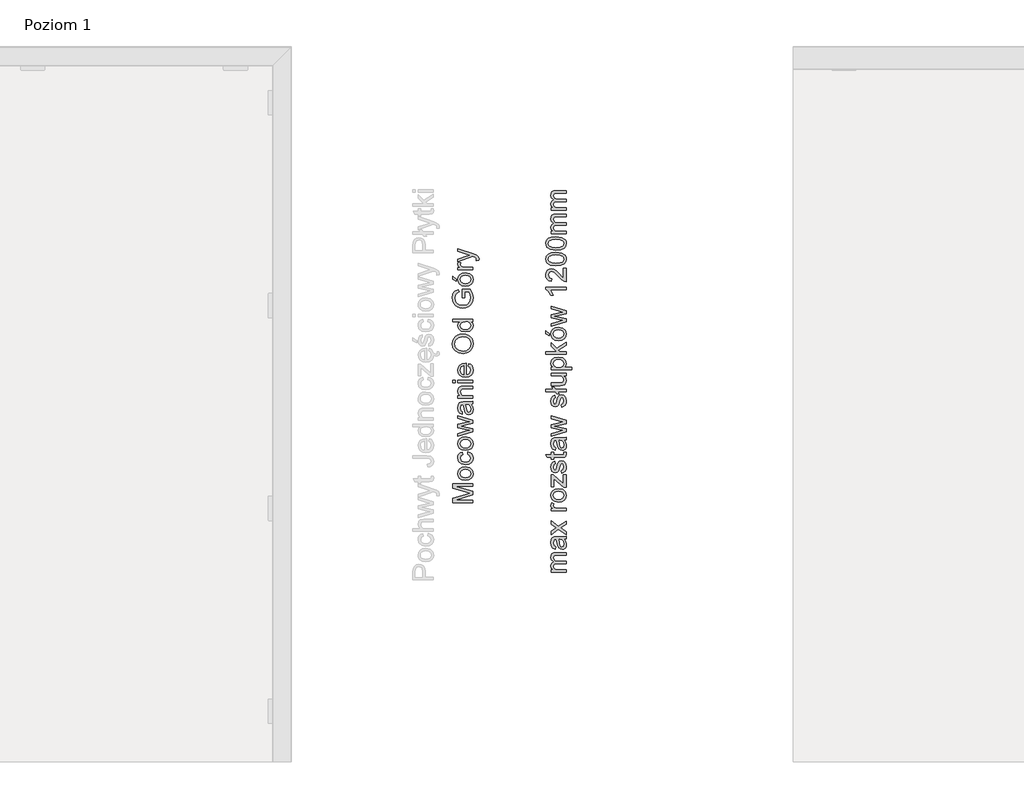
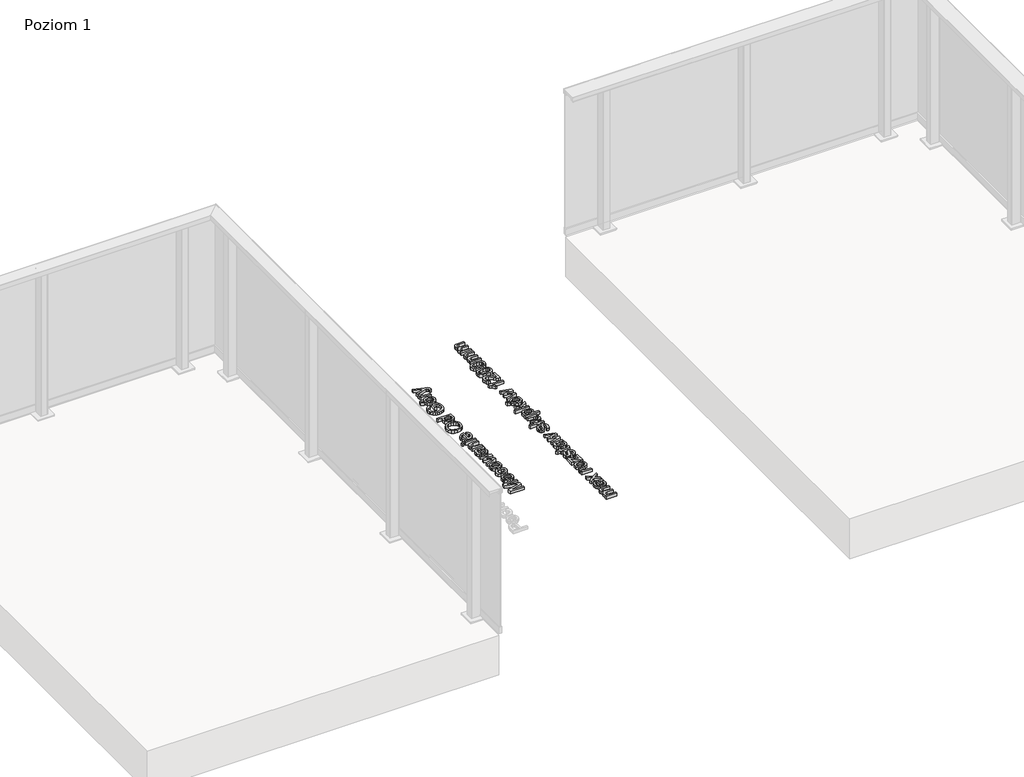
# One storey, part 11 of 35: 2 proxies.
"""IFC4 building model written with IfcOpenShell, lengths in millimetres."""

from ifc_helpers import new_model, si_unit, origin, origin_with_axes, place, context, project, spatial, polyline, outline, extrude, element, save

model = new_model("IFC4")

# Units and contexts
model_context = context("Model", 3, world=origin())
ifc_project = project(units=[si_unit("LENGTHUNIT", "METRE", prefix="MILLI")], contexts=[model_context])

# Site, building, storey
site = spatial("IfcSite", under=ifc_project)
building = spatial("IfcBuilding", under=site)
storey = spatial("IfcBuildingStorey", under=building, Name="Poziom 1", Elevation=0.0)

# Proxies
placement = place(None, origin())
element("IfcBuildingElementProxy", 1, Name="Generic Models", at=placement, inside=storey, context=model_context, shape_type="SweptSolid", body=[
    extrude(outline(polyline([(10311.0111089, -13350.8578482), (10210.5547987, -13350.8578482), (10210.5547987, -13329.2509123), (10281.3598201, -13308.6985715), (10296.1486763, -13304.5537677), (10280.1335468, -13300.0656074), (10210.5547987, -13279.8566231), (10210.5547987, -13258.2496873), (10311.0111089, -13258.2496873), (10311.0111089, -13270.806726), (10223.1118375, -13270.806726), (10311.0111089, -13296.0434309), (10311.0111089, -13313.0641045), (10223.1118375, -13338.3008094), (10311.0111089, -13338.3008094), (10311.0111089, -13350.8578482)])), origin_with_axes(), (0.0, 0.0, 1.0), 20.0),
    extrude(outline(polyline([(10274.1248075, -13240.983759), (10256.337713, -13238.2675636), (10243.8358566, -13230.1189774), (10237.7106214, -13220.0512734), (10235.6688763, -13207.9970067), (10238.1551454, -13194.8053715), (10245.6139529, -13184.268618), (10257.4566874, -13177.3616336), (10273.0947379, -13175.0593054), (10295.4374378, -13179.1305328), (10308.0803157, -13190.9885958), (10312.5807387, -13207.9970067), (10310.1036666, -13221.3480575), (10302.6724503, -13231.8725482), (10290.5813954, -13238.7059563), (10274.1248075, -13240.983759)]), holes=[polyline([(10274.100282, -13228.4267202), (10285.46477, -13226.9735863), (10293.5612396, -13222.6141847), (10298.4080849, -13216.0536224), (10300.0237, -13207.9970067), (10298.3988878, -13199.9771792), (10293.5244514, -13193.4288797), (10285.3206829, -13189.0694781), (10273.7078746, -13187.6163442), (10262.6744804, -13189.0786751), (10254.6883754, -13193.4656679), (10249.8415301, -13200.0231645), (10248.225915, -13207.9970067), (10249.8353988, -13216.0536224), (10254.66385, -13222.6141847), (10262.7419254, -13226.9735863), (10274.100282, -13228.4267202)])]), origin_with_axes(), (0.0, 0.0, 1.0), 20.0),
    extrude(outline(polyline([(10284.3274015, -13113.8437414), (10285.8970314, -13101.2867027), (10297.0653156, -13104.787713), (10305.5051417, -13111.3666693), (10310.8118395, -13120.4043037), (10312.5807387, -13131.281348), (10310.1128637, -13144.6385301), (10302.7092385, -13155.0833131), (10290.6948257, -13161.8247506), (10274.3945876, -13164.0718965), (10253.5356785, -13160.233661), (10240.1325112, -13148.5350136), (10235.6688763, -13131.4530263), (10237.2017179, -13120.8426964), (10241.8002429, -13112.3599507), (10249.2191964, -13106.2745694), (10259.213324, -13102.8563325), (10260.7829538, -13115.4133713), (10251.3774375, -13121.2381695), (10248.225915, -13131.3549244), (10249.7771508, -13139.4697881), (10254.430858, -13145.9107887), (10262.4384228, -13150.1138405), (10274.0512311, -13151.5148577), (10285.8203893, -13150.1444973), (10293.8555452, -13146.033416), (10298.4816613, -13139.7089114), (10300.0237, -13131.6982809), (10296.1732018, -13119.8647434), (10284.3274015, -13113.8437414)])), origin_with_axes(), (0.0, 0.0, 1.0), 20.0),
    extrude(outline(polyline([(10274.1248075, -13093.4385534), (10256.337713, -13090.722358), (10243.8358566, -13082.5737718), (10237.7106214, -13072.5060679), (10235.6688763, -13060.4518012), (10238.1551454, -13047.260166), (10245.6139529, -13036.7234125), (10257.4566874, -13029.816428), (10273.0947379, -13027.5140999), (10295.4374378, -13031.5853273), (10308.0803157, -13043.4433903), (10312.5807387, -13060.4518012), (10310.1036666, -13073.8028519), (10302.6724503, -13084.3273427), (10290.5813954, -13091.1607507), (10274.1248075, -13093.4385534)]), holes=[polyline([(10274.100282, -13080.8815147), (10285.46477, -13079.4283808), (10293.5612396, -13075.0689791), (10298.4080849, -13068.5084169), (10300.0237, -13060.4518012), (10298.3988878, -13052.4319737), (10293.5244514, -13045.8836742), (10285.3206829, -13041.5242725), (10273.7078746, -13040.0711387), (10262.6744804, -13041.5334696), (10254.6883754, -13045.9204624), (10249.8415301, -13052.4779589), (10248.225915, -13060.4518012), (10249.8353988, -13068.5084169), (10254.66385, -13075.0689791), (10262.7419254, -13079.4283808), (10274.100282, -13080.8815147)])]), origin_with_axes(), (0.0, 0.0, 1.0), 20.0),
    extrude(outline(polyline([(10311.0111089, -13001.1492236), (10237.2385061, -13023.5900253), (10237.2385061, -13010.5424772), (10280.2806996, -12997.8137601), (10295.658167, -12994.0123129), (10280.8447853, -12990.8975786), (10237.2385061, -12980.768561), (10237.2385061, -12965.8080266), (10280.722158, -12955.7280599), (10294.137588, -12952.9566822), (10279.986394, -12948.9835566), (10237.2385061, -12936.2303141), (10237.2385061, -12923.1337151), (10311.0111089, -12945.7461951), (10311.0111089, -12960.9274588), (10267.7481863, -12970.565967), (10254.2591798, -12973.3618702), (10311.0111089, -12985.7962816), (10311.0111089, -13001.1492236)])), origin_with_axes(), (0.0, 0.0, 1.0), 20.0),
    extrude(outline(polyline([(10301.5933298, -12867.4118556), (10310.1036666, -12879.5887496), (10312.5807387, -12893.0409679), (10311.0908167, -12903.5348018), (10306.6210504, -12911.2756521), (10299.8336276, -12916.048921), (10291.3907358, -12917.6400107), (10281.4579219, -12915.236515), (10274.2474348, -12908.9212074), (10270.1271565, -12900.1288277), (10268.2386956, -12889.2640461), (10263.9222135, -12867.485432), (10261.1263103, -12867.4118556), (10251.8556841, -12870.8699463), (10248.225915, -12884.7513603), (10250.6416735, -12897.4555519), (10259.213324, -12903.513342), (10257.6436941, -12916.0703808), (10245.380961, -12910.63799), (10238.1949993, -12899.699632), (10235.6688763, -12883.1326795), (10237.9006937, -12867.9146276), (10243.5047628, -12859.3184517), (10252.0273623, -12855.4679535), (10263.0147713, -12854.8548168), (10278.6374933, -12854.8548168), (10300.4528956, -12854.2171547), (10311.0111089, -12851.7155571), (10311.0111089, -12864.2725959), (10301.5933298, -12867.4118556)]), holes=[polyline([(10276.4792523, -12867.4118556), (10280.3297505, -12887.6698908), (10282.3653642, -12898.4733587), (10285.6763022, -12903.3661892), (10290.507819, -12905.0829719), (10297.3013732, -12901.3428383), (10300.0237, -12890.3676921), (10297.0193303, -12877.6635005), (10289.7475296, -12869.4719948), (10280.0354449, -12867.485432), (10276.4792523, -12867.4118556)])]), origin_with_axes(), (0.0, 0.0, 1.0), 20.0),
    extrude(outline(polyline([(10311.0111089, -12837.5888885), (10237.2385061, -12837.5888885), (10237.2385061, -12825.0318497), (10247.539202, -12825.0318497), (10238.6364577, -12815.4301297), (10235.6688763, -12802.3212679), (10238.0601092, -12790.4632049), (10244.3386286, -12782.369801), (10253.5724667, -12778.6051419), (10265.7125726, -12777.9429544), (10311.0111089, -12777.9429544), (10311.0111089, -12790.4999931), (10267.4048297, -12790.4999931), (10256.2947935, -12791.9469956), (10250.4209443, -12797.0605554), (10248.225915, -12805.6812568), (10253.1555338, -12819.3051533), (10260.2985759, -12823.6001756), (10271.8684646, -12825.0318497), (10311.0111089, -12825.0318497), (10311.0111089, -12837.5888885)])), origin_with_axes(), (0.0, 0.0, 1.0), 20.0),
    extrude(outline(polyline([(10223.1118375, -12760.677026), (10210.5547987, -12760.677026), (10210.5547987, -12748.1199873), (10223.1118375, -12748.1199873), (10223.1118375, -12760.677026)])), origin_with_axes(), (0.0, 0.0, 1.0), 20.0),
    extrude(outline(polyline([(10311.0111089, -12760.677026), (10237.2385061, -12760.677026), (10237.2385061, -12748.1199873), (10311.0111089, -12748.1199873), (10311.0111089, -12760.677026)])), origin_with_axes(), (0.0, 0.0, 1.0), 20.0),
    extrude(outline(polyline([(10289.036291, -12677.633797), (10290.6059209, -12665.3220129), (10299.8826785, -12669.7580566), (10306.8172541, -12676.8367193), (10311.1398676, -12686.3985855), (10312.5807387, -12698.2842397), (10310.0944696, -12713.0179136), (10302.6356621, -12724.3548104), (10290.6886943, -12731.5836916), (10274.7379442, -12733.9933187), (10258.2506994, -12731.5591661), (10245.9205212, -12724.2567085), (10238.2317875, -12713.0730959), (10235.6688763, -12698.9954782), (10238.2256561, -12685.3562532), (10245.8959957, -12674.4577491), (10258.2016485, -12667.3116414), (10274.6643678, -12664.9296054), (10278.0488821, -12665.0031818), (10278.0488821, -12721.4362799), (10287.4482671, -12719.2627104), (10294.3583172, -12714.2135301), (10298.6073543, -12706.9264009), (10300.0237, -12698.038985), (10297.3994751, -12685.7272009), (10289.036291, -12677.633797)]), holes=[polyline([(10265.4918434, -12721.4362799), (10265.4918434, -12677.4866442), (10254.112027, -12682.5143648), (10249.697443, -12689.8352165), (10248.225915, -12699.0445291), (10252.9225419, -12714.5078357), (10258.4131806, -12719.373075), (10265.4918434, -12721.4362799)])]), origin_with_axes(), (0.0, 0.0, 1.0), 20.0),
    extrude(outline(polyline([(10262.107329, -12616.2710802), (10239.8933879, -12612.9233541), (10223.087312, -12602.8801756), (10212.5107047, -12587.5456278), (10208.9851689, -12568.3237935), (10210.6406379, -12555.1474867), (10215.6070448, -12543.3323433), (10223.5349018, -12533.5221568), (10234.074721, -12526.3607206), (10246.7175989, -12521.9829248), (10260.9546321, -12520.5236596), (10275.3817377, -12522.0595669), (10288.2024252, -12526.6672889), (10298.7606385, -12534.0923739), (10306.4003212, -12544.08037), (10311.0356344, -12555.7943459), (10312.5807387, -12568.3973699), (10310.8731531, -12581.7760118), (10305.7503964, -12593.6586002), (10297.6753866, -12603.4442613), (10287.1110419, -12610.5321211), (10262.107329, -12616.2710802)]), holes=[polyline([(10262.2299563, -12603.7140414), (10277.9446489, -12601.2032468), (10289.9192078, -12593.670863), (10297.4975769, -12582.3492946), (10300.0237, -12568.4709463), (10297.4730515, -12554.3902629), (10289.821106, -12543.0503004), (10277.478665, -12535.5730989), (10260.8565302, -12533.0806984), (10240.1325112, -12537.3481295), (10226.4105127, -12549.8193291), (10221.5422077, -12568.2502171), (10223.8874554, -12581.7576177), (10230.9231985, -12593.2416673), (10243.4403834, -12601.0959479), (10262.2299563, -12603.7140414)])]), origin_with_axes(), (0.0, 0.0, 1.0), 20.0),
    extrude(outline(polyline([(10311.0111089, -12459.3080956), (10299.1653086, -12459.3080956), (10309.2268812, -12467.6160973), (10312.5807387, -12479.1001469), (10307.7246964, -12494.6492926), (10294.1743762, -12505.6367015), (10274.1983839, -12509.5362507), (10254.2101288, -12505.9432699), (10240.4513422, -12495.1765901), (10235.6688763, -12479.1491979), (10239.0901788, -12467.5731778), (10247.9806604, -12459.3080956), (10210.5547987, -12459.3080956), (10210.5547987, -12446.7510568), (10311.0111089, -12446.7510568), (10311.0111089, -12459.3080956)]), holes=[polyline([(10274.149333, -12496.9792119), (10285.5076896, -12495.5628662), (10293.5857651, -12491.3138292), (10298.4142162, -12485.139543), (10300.0237, -12477.94745), (10298.4877926, -12470.7584227), (10293.8800706, -12464.7404864), (10286.1146949, -12460.6661933), (10275.1058262, -12459.3080956), (10263.0699536, -12460.6907188), (10254.7251636, -12464.8385883), (10249.8507272, -12471.0098087), (10248.225915, -12478.4624848), (10249.7863478, -12485.7281542), (10254.4676462, -12491.6817112), (10262.5089335, -12495.6548367), (10274.149333, -12496.9792119)])]), origin_with_axes(), (0.0, 0.0, 1.0), 20.0),
    extrude(outline(polyline([(10271.7703627, -12340.0162273), (10259.213324, -12340.0162273), (10259.213324, -12299.2058513), (10296.7618129, -12299.2058513), (10308.6076132, -12319.3535219), (10312.5807387, -12340.6538894), (10311.0019118, -12354.7407042), (10306.2654312, -12367.4724869), (10298.5368436, -12378.0490942), (10287.981696, -12385.6703829), (10275.320424, -12390.2781049), (10261.2734631, -12391.8140122), (10247.1253347, -12390.2842363), (10233.9643564, -12385.6949084), (10222.9248308, -12378.2361009), (10215.1410609, -12368.0978863), (10210.5241419, -12355.749314), (10208.9851689, -12341.6594335), (10212.5536242, -12322.014535), (10222.4864381, -12308.2434856), (10239.1024416, -12300.6528538), (10242.3643286, -12312.2288739), (10230.7515203, -12317.9555703), (10224.056068, -12327.7412314), (10221.5422077, -12341.8556373), (10224.2522717, -12357.9320805), (10231.3646569, -12368.8704385), (10241.0399534, -12375.3328988), (10260.7584283, -12379.2569735), (10282.6474071, -12374.5358212), (10295.7440061, -12360.80156), (10300.0237, -12341.6594335), (10296.7986011, -12324.4793444), (10289.9192078, -12311.7628901), (10271.7703627, -12311.7628901), (10271.7703627, -12340.0162273)])), origin_with_axes(), (0.0, 0.0, 1.0), 20.0),
    extrude(outline(polyline([(10274.1248075, -12283.5095528), (10256.337713, -12280.7933574), (10243.8358566, -12272.6447712), (10237.7106214, -12262.5770673), (10235.6688763, -12250.5228006), (10238.1551454, -12237.3311654), (10245.6139529, -12226.7944119), (10257.4566874, -12219.8874275), (10273.0947379, -12217.5850993), (10295.4374378, -12221.6563267), (10308.0803157, -12233.5143897), (10312.5807387, -12250.5228006), (10310.1036666, -12263.8738513), (10302.6724503, -12274.3983421), (10290.5813954, -12281.2317502), (10274.1248075, -12283.5095528)]), holes=[polyline([(10274.100282, -12270.9525141), (10285.46477, -12269.4993802), (10293.5612396, -12265.1399785), (10298.4080849, -12258.5794163), (10300.0237, -12250.5228006), (10298.3988878, -12242.5029731), (10293.5244514, -12235.9546736), (10285.3206829, -12231.595272), (10273.7078746, -12230.1421381), (10262.6744804, -12231.604469), (10254.6883754, -12235.9914618), (10249.8415301, -12242.5489584), (10248.225915, -12250.5228006), (10249.8353988, -12258.5794163), (10254.66385, -12265.1399785), (10262.7419254, -12269.4993802), (10274.100282, -12270.9525141)])]), origin_with_axes(), (0.0, 0.0, 1.0), 20.0),
    extrude(outline(polyline([(10229.3903569, -12259.9651051), (10210.5547987, -12250.5473261), (10210.5547987, -12234.8510276), (10229.3903569, -12250.5473261), (10229.3903569, -12259.9651051)])), origin_with_axes(), (0.0, 0.0, 1.0), 20.0),
    extrude(outline(polyline([(10339.2644461, -12156.3695353), (10327.1733912, -12157.9391652), (10328.2770372, -12151.5625439), (10326.8913483, -12145.6028556), (10323.0285874, -12141.9485611), (10313.7824866, -12138.5149958), (10310.7413288, -12137.5339772), (10237.2385061, -12164.2176845), (10237.2385061, -12150.9739327), (10278.1960349, -12136.8227386), (10294.5790464, -12131.8931199), (10280.1090213, -12126.9635012), (10237.2385061, -12112.4198996), (10237.2385061, -12099.2742497), (10312.7769425, -12124.9524129), (10329.159954, -12131.6233398), (10338.0136473, -12138.9074033), (10340.834076, -12148.6930643), (10339.2644461, -12156.3695353)])), origin_with_axes(), (0.0, 0.0, 1.0), 20.0),
    extrude(outline(polyline([(10311.0111089, -12203.4584307), (10237.2385061, -12203.4584307), (10237.2385061, -12192.4710218), (10248.1523386, -12192.4710218), (10238.0968974, -12184.6719235), (10235.6688763, -12176.8237742), (10239.5439, -12164.2176845), (10250.801089, -12168.4115393), (10248.225915, -12177.2407072), (10250.7029871, -12184.3408297), (10257.5701177, -12188.8657782), (10272.2363466, -12190.9013919), (10311.0111089, -12190.9013919), (10311.0111089, -12203.4584307)])), origin_with_axes(), (0.0, 0.0, 1.0), 20.0),
])
element("IfcBuildingElementProxy", 2, Name="Generic Models", at=placement, inside=storey, context=model_context, shape_type="SweptSolid", body=[
    extrude(outline(polyline([(10769.7173752, -13695.0976583), (10695.9447724, -13695.0976583), (10695.9447724, -13682.5406196), (10708.0848783, -13682.5406196), (10698.1398017, -13673.9076554), (10694.3751426, -13661.6203968), (10698.2133781, -13649.0388325), (10708.9677951, -13642.122651), (10698.0233057, -13632.3247272), (10694.3751426, -13619.9516294), (10695.8926558, -13610.5123906), (10700.4451955, -13603.5318297), (10708.155389, -13599.2184133), (10719.1458636, -13597.7806079), (10769.7173752, -13597.7806079), (10769.7173752, -13610.3376466), (10724.5414662, -13610.3376466), (10714.0568293, -13611.5026063), (10708.8942187, -13615.7209865), (10706.9321813, -13622.8946854), (10711.959902, -13635.2432577), (10718.5020701, -13638.9312747), (10728.0731333, -13640.1606137), (10769.7173752, -13640.1606137), (10769.7173752, -13652.7176525), (10723.1435146, -13652.7176525), (10710.9788833, -13655.6239202), (10706.9321813, -13665.1520639), (10709.6299826, -13674.4472157), (10717.5271828, -13680.6276332), (10732.5122427, -13682.5406196), (10769.7173752, -13682.5406196), (10769.7173752, -13695.0976583)])), origin_with_axes(), (0.0, 0.0, 1.0), 20.0),
    extrude(outline(polyline([(10760.2995961, -13531.8561543), (10768.8099329, -13544.0330484), (10771.287005, -13557.4852667), (10769.797083, -13567.9791006), (10765.3273167, -13575.7199509), (10758.5398939, -13580.4932198), (10750.0970021, -13582.0843094), (10740.1641882, -13579.6808137), (10732.9537011, -13573.3655061), (10728.8334228, -13564.5731264), (10726.9449619, -13553.7083448), (10722.6284798, -13531.9297307), (10719.8325766, -13531.8561543), (10710.5619504, -13535.3142451), (10706.9321813, -13549.195659), (10709.3479398, -13561.8998506), (10717.9195903, -13567.9576408), (10716.3499604, -13580.5146796), (10704.0872273, -13575.0822888), (10696.9012656, -13564.1439308), (10694.3751426, -13547.5769783), (10696.60696, -13532.3589264), (10702.2110291, -13523.7627504), (10710.7336286, -13519.9122522), (10721.7210376, -13519.2991156), (10737.3437596, -13519.2991156), (10759.1591619, -13518.6614534), (10769.7173752, -13516.1598559), (10769.7173752, -13528.7168946), (10760.2995961, -13531.8561543)]), holes=[polyline([(10735.1855186, -13531.8561543), (10739.0360168, -13552.1141895), (10741.0716305, -13562.9176575), (10744.3825685, -13567.810488), (10749.2140853, -13569.5272706), (10756.0076395, -13565.787137), (10758.7299663, -13554.8119908), (10755.7255966, -13542.1077993), (10748.4537959, -13533.9162935), (10738.7417112, -13531.9297307), (10735.1855186, -13531.8561543)])]), origin_with_axes(), (0.0, 0.0, 1.0), 20.0),
    extrude(outline(polyline([(10769.7173752, -13509.8813365), (10732.6348701, -13483.0504763), (10695.9447724, -13508.3117066), (10695.9447724, -13493.2040194), (10713.6031082, -13481.0148626), (10721.9417668, -13475.3249544), (10715.1236871, -13470.3953357), (10695.9447724, -13456.5139217), (10695.9447724, -13441.4062344), (10732.6348701, -13467.942789), (10769.7173752, -13442.3872531), (10769.7173752, -13457.4949404), (10747.4237263, -13472.8724078), (10743.3524989, -13475.6928364), (10769.7173752, -13494.7736492), (10769.7173752, -13509.8813365)])), origin_with_axes(), (0.0, 0.0, 1.0), 20.0),
    extrude(outline(polyline([(10769.7173752, -13392.159098), (10695.9447724, -13392.159098), (10695.9447724, -13381.1716891), (10706.858605, -13381.1716891), (10696.8031637, -13373.3725908), (10694.3751426, -13365.5244416), (10698.2501663, -13352.9183519), (10709.5073553, -13357.1122066), (10706.9321813, -13365.9413745), (10709.4092535, -13373.041497), (10716.276384, -13377.5664456), (10730.9426129, -13379.6020593), (10769.7173752, -13379.6020593), (10769.7173752, -13392.159098)])), origin_with_axes(), (0.0, 0.0, 1.0), 20.0),
    extrude(outline(polyline([(10732.8310738, -13348.2094623), (10715.0439793, -13345.4932669), (10702.5421229, -13337.3446807), (10696.4168877, -13327.2769768), (10694.3751426, -13315.2227101), (10696.8614117, -13302.0310749), (10704.3202192, -13291.4943214), (10716.1629537, -13284.587337), (10731.8010042, -13282.2850088), (10754.1437041, -13286.3562362), (10766.786582, -13298.2142992), (10771.287005, -13315.2227101), (10768.8099329, -13328.5737608), (10761.3787166, -13339.0982516), (10749.2876617, -13345.9316596), (10732.8310738, -13348.2094623)]), holes=[polyline([(10732.8065483, -13335.6524236), (10744.1710363, -13334.1992897), (10752.2675059, -13329.839888), (10757.1143512, -13323.2793258), (10758.7299663, -13315.2227101), (10757.1051541, -13307.2028826), (10752.2307177, -13300.6545831), (10744.0269492, -13296.2951815), (10732.4141409, -13294.8420476), (10721.3807467, -13296.3043785), (10713.3946417, -13300.6913713), (10708.5477964, -13307.2488679), (10706.9321813, -13315.2227101), (10708.5416651, -13323.2793258), (10713.3701163, -13329.839888), (10721.4481917, -13334.1992897), (10732.8065483, -13335.6524236)])]), origin_with_axes(), (0.0, 0.0, 1.0), 20.0),
    extrude(outline(polyline([(10769.7173752, -13276.0064894), (10757.8961004, -13276.0064894), (10708.5018112, -13232.6699904), (10708.5018112, -13245.4968093), (10708.5018112, -13272.8672297), (10695.9447724, -13272.8672297), (10695.9447724, -13214.7909254), (10706.6133503, -13214.7909254), (10750.4403586, -13253.2223312), (10757.1603364, -13259.1084431), (10757.1603364, -13244.589367), (10757.1603364, -13213.2212956), (10769.7173752, -13213.2212956), (10769.7173752, -13276.0064894)])), origin_with_axes(), (0.0, 0.0, 1.0), 20.0),
    extrude(outline(polyline([(10747.7425573, -13205.3731463), (10746.1729275, -13192.8161076), (10755.4926047, -13187.003572), (10758.7299663, -13173.6862438), (10755.7623848, -13160.8839504), (10748.7971524, -13156.7146211), (10743.1562951, -13160.9084759), (10739.5755771, -13173.8333966), (10733.4319477, -13192.7425312), (10726.2582488, -13200.9953506), (10716.1292312, -13203.8035165), (10706.7727658, -13201.5471736), (10699.6235924, -13195.3912815), (10695.9079842, -13187.4082422), (10694.3751426, -13176.6047743), (10696.8399519, -13161.3254088), (10703.5108788, -13151.6133241), (10714.7803306, -13147.296842), (10716.3499604, -13159.8538808), (10709.4215162, -13164.5750331), (10706.9321813, -13175.6237557), (10709.3111516, -13187.6412342), (10714.853907, -13191.2464777), (10718.5082015, -13189.7504243), (10721.2795792, -13185.0660602), (10723.952855, -13174.2503296), (10729.8634924, -13155.8194416), (10736.5589447, -13147.2600538), (10747.4727772, -13144.1575823), (10759.4902557, -13147.7996141), (10768.209059, -13158.3087764), (10771.287005, -13173.8579221), (10769.8032143, -13186.5191941), (10765.3518422, -13195.7591635), (10757.9819395, -13201.9273183), (10747.7425573, -13205.3731463)])), origin_with_axes(), (0.0, 0.0, 1.0), 20.0),
    extrude(outline(polyline([(10759.2450011, -13103.3472063), (10770.0852572, -13101.7775765), (10771.287005, -13111.1708301), (10769.2023404, -13121.6922552), (10763.7331614, -13126.940705), (10749.4838655, -13128.4612839), (10708.5018112, -13128.4612839), (10708.5018112, -13137.879063), (10695.9447724, -13137.879063), (10695.9447724, -13128.4612839), (10678.0166565, -13128.4612839), (10670.6344912, -13115.9042451), (10695.9447724, -13115.9042451), (10695.9447724, -13103.3472063), (10708.5018112, -13103.3472063), (10708.5018112, -13115.9042451), (10749.1159835, -13115.9042451), (10755.5907066, -13115.2420575), (10757.8838377, -13113.0960792), (10758.7299663, -13108.8163853), (10759.2450011, -13103.3472063)])), origin_with_axes(), (0.0, 0.0, 1.0), 20.0),
    extrude(outline(polyline([(10760.2995961, -13043.7012722), (10768.8099329, -13055.8781662), (10771.287005, -13069.3303845), (10769.797083, -13079.8242184), (10765.3273167, -13087.5650688), (10758.5398939, -13092.3383376), (10750.0970021, -13093.9294273), (10740.1641882, -13091.5259316), (10732.9537011, -13085.210624), (10728.8334228, -13076.4182443), (10726.9449619, -13065.5534627), (10722.6284798, -13043.7748486), (10719.8325766, -13043.7012722), (10710.5619504, -13047.1593629), (10706.9321813, -13061.0407769), (10709.3479398, -13073.7449685), (10717.9195903, -13079.8027587), (10716.3499604, -13092.3597974), (10704.0872273, -13086.9274066), (10696.9012656, -13075.9890486), (10694.3751426, -13059.4220961), (10696.60696, -13044.2040443), (10702.2110291, -13035.6078683), (10710.7336286, -13031.7573701), (10721.7210376, -13031.1442334), (10737.3437596, -13031.1442334), (10759.1591619, -13030.5065713), (10769.7173752, -13028.0049737), (10769.7173752, -13040.5620125), (10760.2995961, -13043.7012722)]), holes=[polyline([(10735.1855186, -13043.7012722), (10739.0360168, -13063.9593074), (10741.0716305, -13074.7627753), (10744.3825685, -13079.6556059), (10749.2140853, -13081.3723885), (10756.0076395, -13077.6322549), (10758.7299663, -13066.6571087), (10755.7255966, -13053.9529171), (10748.4537959, -13045.7614114), (10738.7417112, -13043.7748486), (10735.1855186, -13043.7012722)])]), origin_with_axes(), (0.0, 0.0, 1.0), 20.0),
    extrude(outline(polyline([(10769.7173752, -13001.6400974), (10695.9447724, -13024.0808991), (10695.9447724, -13011.033351), (10738.9869659, -12998.304634), (10754.3644333, -12994.5031867), (10739.5510516, -12991.3884525), (10695.9447724, -12981.2594349), (10695.9447724, -12966.2989004), (10739.4284243, -12956.2189337), (10752.8438543, -12953.447556), (10738.6926603, -12949.4744305), (10695.9447724, -12936.721188), (10695.9447724, -12923.624589), (10769.7173752, -12946.2370689), (10769.7173752, -12961.4183326), (10726.4544526, -12971.0568409), (10712.9654461, -12973.852744), (10769.7173752, -12986.2871555), (10769.7173752, -13001.6400974)])), origin_with_axes(), (0.0, 0.0, 1.0), 20.0),
    extrude(outline(polyline([(10747.7425573, -12880.4597682), (10746.1729275, -12867.9027294), (10755.4926047, -12862.0901939), (10758.7299663, -12848.7728657), (10755.7623848, -12835.9705723), (10748.7971524, -12831.801243), (10743.1562951, -12835.9950977), (10739.5755771, -12848.9200185), (10733.4319477, -12867.829153), (10726.2582488, -12876.0819725), (10716.1292312, -12878.8901384), (10706.7727658, -12876.6337955), (10699.6235924, -12870.4779034), (10695.9079842, -12862.4948641), (10694.3751426, -12851.6913962), (10696.8399519, -12836.4120306), (10703.5108788, -12826.699946), (10714.7803306, -12822.3834639), (10716.3499604, -12834.9405027), (10709.4215162, -12839.6616549), (10706.9321813, -12850.7103775), (10709.3111516, -12862.727856), (10714.853907, -12866.3330996), (10718.5082015, -12864.8370461), (10721.2795792, -12860.1526821), (10723.952855, -12849.3369514), (10729.8634924, -12830.9060635), (10736.5589447, -12822.3466757), (10747.4727772, -12819.2442042), (10759.4902557, -12822.886236), (10768.209059, -12833.3953983), (10771.287005, -12848.9445439), (10769.8032143, -12861.6058159), (10765.3518422, -12870.8457854), (10757.9819395, -12877.0139402), (10747.7425573, -12880.4597682)])), origin_with_axes(), (0.0, 0.0, 1.0), 20.0),
    extrude(outline(polyline([(10730.0106452, -12805.1175356), (10737.5399633, -12814.5353147), (10723.4132947, -12814.5353147), (10715.8839766, -12805.1175356), (10669.261065, -12805.1175356), (10669.261065, -12792.5604968), (10705.8285354, -12792.5604968), (10698.2992172, -12783.1427177), (10712.4258858, -12783.1427177), (10719.955204, -12792.5604968), (10769.7173752, -12792.5604968), (10769.7173752, -12805.1175356), (10730.0106452, -12805.1175356)])), origin_with_axes(), (0.0, 0.0, 1.0), 20.0),
    extrude(outline(polyline([(10769.7173752, -12726.6360433), (10757.0377091, -12726.6360433), (10767.7246811, -12736.4707553), (10771.287005, -12749.2975742), (10768.7854075, -12761.1065862), (10762.5068881, -12769.2490411), (10753.2607873, -12772.9891747), (10741.5866653, -12773.7249387), (10695.9447724, -12773.7249387), (10695.9447724, -12761.1678999), (10735.6760279, -12761.1678999), (10748.4783213, -12760.4076104), (10755.9953768, -12755.4412035), (10758.7299663, -12746.0847381), (10755.9340631, -12735.6001012), (10748.3189058, -12728.671657), (10734.3271273, -12726.6360433), (10695.9447724, -12726.6360433), (10695.9447724, -12714.0790045), (10769.7173752, -12714.0790045), (10769.7173752, -12726.6360433)])), origin_with_axes(), (0.0, 0.0, 1.0), 20.0),
    extrude(outline(polyline([(10797.9707124, -12696.8130762), (10695.9447724, -12696.8130762), (10695.9447724, -12684.2560374), (10708.2565565, -12684.2560374), (10697.8454961, -12675.5740224), (10694.3751426, -12663.8508494), (10699.2311849, -12647.9338218), (10712.9163951, -12637.5350241), (10732.2669881, -12634.0278824), (10752.6108624, -12637.9887452), (10766.4677509, -12649.4911889), (10771.287005, -12665.3714284), (10768.0619062, -12676.2975236), (10759.9071887, -12684.2560374), (10797.9707124, -12684.2560374), (10797.9707124, -12696.8130762)]), holes=[polyline([(10733.419685, -12684.2560374), (10744.6768741, -12682.8979397), (10752.5495488, -12678.8236466), (10757.1848619, -12672.8118417), (10758.7299663, -12665.6412085), (10757.1296796, -12658.3540793), (10752.3288196, -12652.1889902), (10744.1679706, -12647.9859384), (10732.4877173, -12646.5849211), (10721.2918419, -12647.9522159), (10713.3088026, -12652.0541001), (10708.5263367, -12658.056708), (10706.9321813, -12665.1261737), (10708.6275042, -12672.2232305), (10713.7134728, -12678.4557647), (10722.0306716, -12682.8059692), (10733.419685, -12684.2560374)])]), origin_with_axes(), (0.0, 0.0, 1.0), 20.0),
    extrude(outline(polyline([(10769.7173752, -12619.9012138), (10669.261065, -12619.9012138), (10669.261065, -12607.344175), (10723.2416165, -12607.344175), (10695.9447724, -12579.1889396), (10695.9447724, -12561.8249094), (10723.584973, -12590.3235013), (10769.7173752, -12560.2552796), (10769.7173752, -12574.9215085), (10732.316039, -12599.3243475), (10740.0906118, -12607.344175), (10769.7173752, -12607.344175), (10769.7173752, -12619.9012138)])), origin_with_axes(), (0.0, 0.0, 1.0), 20.0),
    extrude(outline(polyline([(10732.8310738, -12552.4071304), (10715.0439793, -12549.690935), (10702.5421229, -12541.5423488), (10696.4168877, -12531.4746448), (10694.3751426, -12519.4203781), (10696.8614117, -12506.2287429), (10704.3202192, -12495.6919894), (10716.1629537, -12488.785005), (10731.8010042, -12486.4826768), (10754.1437041, -12490.5539042), (10766.786582, -12502.4119672), (10771.287005, -12519.4203781), (10768.8099329, -12532.7714289), (10761.3787166, -12543.2959196), (10749.2876617, -12550.1293277), (10732.8310738, -12552.4071304)]), holes=[polyline([(10732.8065483, -12539.8500916), (10744.1710363, -12538.3969577), (10752.2675059, -12534.0375561), (10757.1143512, -12527.4769938), (10758.7299663, -12519.4203781), (10757.1051541, -12511.4005506), (10752.2307177, -12504.8522511), (10744.0269492, -12500.4928495), (10732.4141409, -12499.0397156), (10721.3807467, -12500.5020465), (10713.3946417, -12504.8890393), (10708.5477964, -12511.4465359), (10706.9321813, -12519.4203781), (10708.5416651, -12527.4769938), (10713.3701163, -12534.0375561), (10721.4481917, -12538.3969577), (10732.8065483, -12539.8500916)])]), origin_with_axes(), (0.0, 0.0, 1.0), 20.0),
    extrude(outline(polyline([(10688.0966232, -12528.8626827), (10669.261065, -12519.4449036), (10669.261065, -12503.7486051), (10688.0966232, -12519.4449036), (10688.0966232, -12528.8626827)])), origin_with_axes(), (0.0, 0.0, 1.0), 20.0),
    extrude(outline(polyline([(10769.7173752, -12460.1178005), (10695.9447724, -12482.5586022), (10695.9447724, -12469.5110541), (10738.9869659, -12456.7823371), (10754.3644333, -12452.9808898), (10739.5510516, -12449.8661556), (10695.9447724, -12439.737138), (10695.9447724, -12424.7766035), (10739.4284243, -12414.6966368), (10752.8438543, -12411.9252591), (10738.6926603, -12407.9521336), (10695.9447724, -12395.1988911), (10695.9447724, -12382.1022921), (10769.7173752, -12404.714772), (10769.7173752, -12419.8960357), (10726.4544526, -12429.534544), (10712.9654461, -12432.3304471), (10769.7173752, -12444.7648586), (10769.7173752, -12460.1178005)])), origin_with_axes(), (0.0, 0.0, 1.0), 20.0),
    extrude(outline(polyline([(10769.7173752, -12290.2789461), (10769.7173752, -12302.8359848), (10691.4320866, -12302.8359848), (10699.9056352, -12314.730836), (10706.2454683, -12327.9500624), (10694.3751426, -12327.9500624), (10682.6274442, -12309.5436999), (10669.261065, -12298.37235), (10669.261065, -12290.2789461), (10769.7173752, -12290.2789461)])), origin_with_axes(), (0.0, 0.0, 1.0), 20.0),
    extrude(outline(polyline([(10757.1603364, -12196.1011553), (10769.7173752, -12196.1011553), (10769.7173752, -12262.0256088), (10761.0598856, -12260.6767082), (10747.7302946, -12253.0492882), (10733.1744303, -12237.3284642), (10712.2542075, -12215.647952), (10698.0294371, -12210.2278239), (10686.5147306, -12215.3413837), (10681.8181038, -12228.6955001), (10686.404366, -12242.6137022), (10699.0840321, -12247.8989402), (10697.5144023, -12260.455979), (10685.3681651, -12257.4117555), (10676.4960776, -12250.8297335), (10671.0698182, -12241.0532694), (10669.261065, -12228.42572), (10671.2721533, -12215.7062), (10677.305418, -12205.94813), (10686.3185269, -12199.7401214), (10697.2691476, -12197.6707852), (10709.1762615, -12199.9026026), (10721.4880456, -12207.3215562), (10738.6926603, -12225.3109857), (10750.7714524, -12239.7564854), (10757.1603364, -12245.4218681), (10757.1603364, -12196.1011553)])), origin_with_axes(), (0.0, 0.0, 1.0), 20.0),
    extrude(outline(polyline([(10720.2985605, -12183.5441165), (10691.3952984, -12179.8530339), (10674.730244, -12168.8901504), (10669.261065, -12150.5818898), (10672.4984266, -12135.9156609), (10681.8303665, -12125.7866433), (10696.6927992, -12119.9005314), (10720.2985605, -12117.619663), (10749.0791953, -12121.2739575), (10765.7810378, -12132.2000527), (10769.9105132, -12140.4314124), (10771.287005, -12150.5818898), (10768.8957721, -12163.6294379), (10761.7220732, -12173.5377263), (10744.7320564, -12181.042519), (10720.2985605, -12183.5441165)]), holes=[polyline([(10720.274035, -12170.9870778), (10740.0262325, -12169.5155498), (10751.4581655, -12165.1009658), (10756.9120161, -12158.5281409), (10758.7299663, -12150.5818898), (10756.9058847, -12142.6356387), (10751.43364, -12136.0628137), (10739.9955757, -12131.6482298), (10720.274035, -12130.1767018), (10700.9663617, -12131.5991788), (10689.4455238, -12135.86661), (10683.7249588, -12142.4271722), (10681.8181038, -12150.7290426), (10683.4980983, -12158.5894545), (10688.5380816, -12164.9047621), (10700.7762893, -12169.4664989), (10720.274035, -12170.9870778)])]), origin_with_axes(), (0.0, 0.0, 1.0), 20.0),
    extrude(outline(polyline([(10720.2985605, -12106.6322541), (10691.3952984, -12102.9411714), (10674.730244, -12091.9782879), (10669.261065, -12073.6700273), (10672.4984266, -12059.0037984), (10681.8303665, -12048.8747808), (10696.6927992, -12042.9886689), (10720.2985605, -12040.7078005), (10749.0791953, -12044.362095), (10765.7810378, -12055.2881903), (10769.9105132, -12063.5195499), (10771.287005, -12073.6700273), (10768.8957721, -12086.7175754), (10761.7220732, -12096.6258638), (10744.7320564, -12104.1306565), (10720.2985605, -12106.6322541)]), holes=[polyline([(10720.274035, -12094.0752153), (10740.0262325, -12092.6036873), (10751.4581655, -12088.1891034), (10756.9120161, -12081.6162784), (10758.7299663, -12073.6700273), (10756.9058847, -12065.7237762), (10751.43364, -12059.1509512), (10739.9955757, -12054.7363673), (10720.274035, -12053.2648393), (10700.9663617, -12054.6873164), (10689.4455238, -12058.9547475), (10683.7249588, -12065.5153098), (10681.8181038, -12073.8171801), (10683.4980983, -12081.6775921), (10688.5380816, -12087.9928997), (10700.7762893, -12092.5546364), (10720.274035, -12094.0752153)])]), origin_with_axes(), (0.0, 0.0, 1.0), 20.0),
    extrude(outline(polyline([(10769.7173752, -12026.5811319), (10695.9447724, -12026.5811319), (10695.9447724, -12014.0240932), (10708.0848783, -12014.0240932), (10698.1398017, -12005.391129), (10694.3751426, -11993.1038704), (10698.2133781, -11980.5223061), (10708.9677951, -11973.6061246), (10698.0233057, -11963.8082008), (10694.3751426, -11951.435103), (10695.8926558, -11941.9958642), (10700.4451955, -11935.0153033), (10708.155389, -11930.7018869), (10719.1458636, -11929.2640815), (10769.7173752, -11929.2640815), (10769.7173752, -11941.8211202), (10724.5414662, -11941.8211202), (10714.0568293, -11942.9860799), (10708.8942187, -11947.2044601), (10706.9321813, -11954.378159), (10711.959902, -11966.7267313), (10718.5020701, -11970.4147483), (10728.0731333, -11971.6440873), (10769.7173752, -11971.6440873), (10769.7173752, -11984.2011261), (10723.1435146, -11984.2011261), (10710.9788833, -11987.1073938), (10706.9321813, -11996.6355375), (10709.6299826, -12005.9306893), (10717.5271828, -12012.1111068), (10732.5122427, -12014.0240932), (10769.7173752, -12014.0240932), (10769.7173752, -12026.5811319)])), origin_with_axes(), (0.0, 0.0, 1.0), 20.0),
    extrude(outline(polyline([(10769.7173752, -11910.4285233), (10695.9447724, -11910.4285233), (10695.9447724, -11897.8714846), (10708.0848783, -11897.8714846), (10698.1398017, -11889.2385204), (10694.3751426, -11876.9512618), (10698.2133781, -11864.3696975), (10708.9677951, -11857.453516), (10698.0233057, -11847.6555922), (10694.3751426, -11835.2824944), (10695.8926558, -11825.8432556), (10700.4451955, -11818.8626947), (10708.155389, -11814.5492783), (10719.1458636, -11813.1114729), (10769.7173752, -11813.1114729), (10769.7173752, -11825.6685116), (10724.5414662, -11825.6685116), (10714.0568293, -11826.8334713), (10708.8942187, -11831.0518515), (10706.9321813, -11838.2255504), (10711.959902, -11850.5741227), (10718.5020701, -11854.2621397), (10728.0731333, -11855.4914787), (10769.7173752, -11855.4914787), (10769.7173752, -11868.0485175), (10723.1435146, -11868.0485175), (10710.9788833, -11870.9547852), (10706.9321813, -11880.4829289), (10709.6299826, -11889.7780807), (10717.5271828, -11895.9584982), (10732.5122427, -11897.8714846), (10769.7173752, -11897.8714846), (10769.7173752, -11910.4285233)])), origin_with_axes(), (0.0, 0.0, 1.0), 20.0),
])

save(model, "model.ifc")
